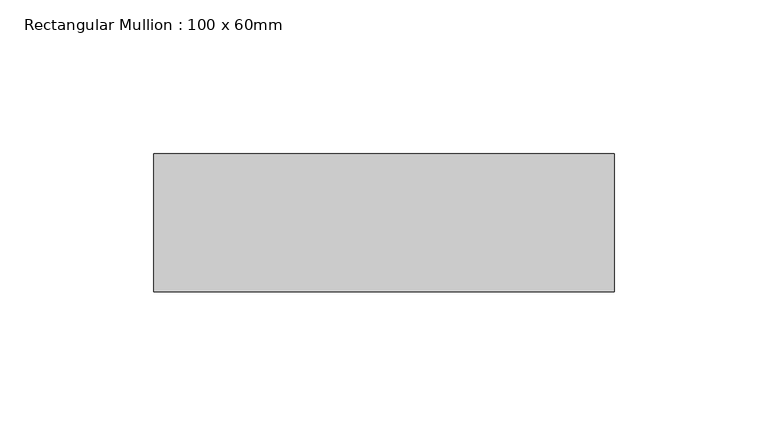
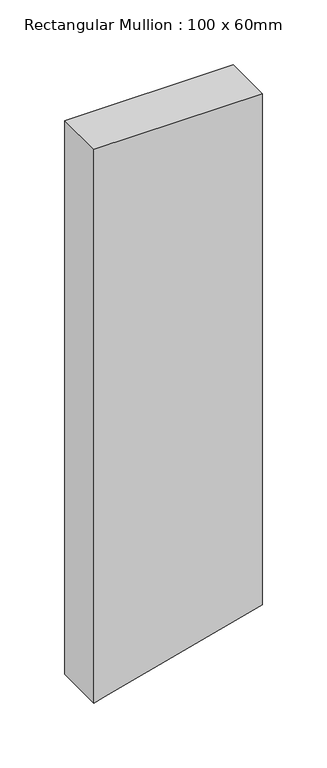
"""IFC4 building model written with IfcOpenShell, lengths in millimetres: member geometry, Rectangular Mullion : 100 x 60mm."""

import ifcopenshell
import ifcopenshell.guid

model = None  # the IFC model being written
_history = None  # IfcOwnerHistory: only IFC2X3 demands one
_inside = {}  # id of a spatial element -> (the spatial element, [elements in it])
_under = {}  # id of a project, library or spatial element -> (it, [spatial elements below it])
_declared = {}  # id of a project -> (the project, [libraries it declares])
_typed = {}  # id of a type object -> (the type object, [elements of that type])
_made_of = {}  # id of a material, layer set ... -> (it, [elements and type objects made of it])


def new_model(schema):
    """Start an empty IFC model of exactly this schema.

    Asked for "IFC4X3", IfcOpenShell would pick the latest addendum, in which some entities
    have other attributes; the version numbers below select the first issue.
    IFC2X3 requires an IfcOwnerHistory on every rooted entity: one is made here for all.
    """
    global model, _history
    if schema == "IFC4X3":
        model = ifcopenshell.file(schema_version=(4, 3, 0, 0))
    else:
        model = ifcopenshell.file(schema=schema)
    _inside.clear()
    _under.clear()
    _declared.clear()
    _typed.clear()
    _made_of.clear()
    _history = None
    if model.schema == "IFC2X3":
        org = make("IfcOrganization", Name="unknown")
        user = make(
            "IfcPersonAndOrganization",
            ThePerson=make("IfcPerson", FamilyName="unknown"),
            TheOrganization=org,
        )
        app = make(
            "IfcApplication",
            ApplicationDeveloper=org,
            Version="unknown",
            ApplicationFullName="unknown",
            ApplicationIdentifier="unknown",
        )
        _history = make(
            "IfcOwnerHistory",
            OwningUser=user,
            OwningApplication=app,
            ChangeAction="ADDED",
            CreationDate=0,
        )
    return model


def make(cls, **values):
    """One entity of the class cls with the attributes given. An attribute that is None is left unset."""
    return model.create_entity(
        cls, **{name: value for name, value in values.items() if value is not None}
    )


def rooted(cls, **values):
    """An entity with a GlobalId (a new one), such as an element, a storey or a relation."""
    return make(cls, GlobalId=ifcopenshell.guid.new(), OwnerHistory=_history, **values)


def si_unit(unit_type, name, prefix=None):
    """IfcSIUnit, for example si_unit("LENGTHUNIT", "METRE", prefix="MILLI")."""
    return make("IfcSIUnit", UnitType=unit_type, Prefix=prefix, Name=name)


def assignment(units):
    """IfcUnitAssignment: the units of a project."""
    return None if units is None else make("IfcUnitAssignment", Units=units)


def point(xyz):
    """IfcCartesianPoint."""
    return None if xyz is None else make("IfcCartesianPoint", Coordinates=xyz)


def direction(xyz):
    """IfcDirection."""
    return None if xyz is None else make("IfcDirection", DirectionRatios=xyz)


def frame(location, z_axis=None, x_axis=None):
    """IfcAxis2Placement3D, a coordinate frame: its origin and axes. An axis left out is left unset."""
    return make(
        "IfcAxis2Placement3D",
        Location=point(location),
        Axis=direction(z_axis),
        RefDirection=direction(x_axis),
    )


def origin():
    """The frame at (0, 0, 0) with its axes left unset."""
    return frame((0.0, 0.0, 0.0))


def place(relative_to, where):
    """IfcLocalPlacement: puts the frame where relative to a parent placement (None: the world)."""
    return make(
        "IfcLocalPlacement", PlacementRelTo=relative_to, RelativePlacement=where
    )


def context(
    kind, dimensions, precision=None, world=None, true_north=None, identifier=None
):
    """IfcGeometricRepresentationContext, for example the 3D "Model" context."""
    return make(
        "IfcGeometricRepresentationContext",
        ContextIdentifier=identifier,
        ContextType=kind,
        CoordinateSpaceDimension=dimensions,
        Precision=precision,
        WorldCoordinateSystem=world,
        TrueNorth=true_north,
    )


def project(units=None, contexts=None):
    """IfcProject with its units and contexts."""
    return rooted(
        "IfcProject",
        Name="project",
        RepresentationContexts=contexts,
        UnitsInContext=assignment(units),
    )


def spatial(cls, under=None, at=None, **own):
    """A site, building, storey or space (cls), placed at a placement, below another one or the project."""
    s = rooted(cls, ObjectPlacement=at, **own)
    if under is not None:
        _under.setdefault(under.id(), (under, []))[1].append(s)
    return s


def polyline(points):
    """IfcPolyline through the points."""
    return make("IfcPolyline", Points=[point(p) for p in points])


def outline(outer, holes=None, kind="AREA"):
    """IfcArbitraryClosedProfileDef: a profile drawn as a closed curve; with holes, ...WithVoids."""
    if holes is None:
        return make("IfcArbitraryClosedProfileDef", ProfileType=kind, OuterCurve=outer)
    return make(
        "IfcArbitraryProfileDefWithVoids",
        ProfileType=kind,
        OuterCurve=outer,
        InnerCurves=holes,
    )


def extrude(swept, where, along, depth):
    """IfcExtrudedAreaSolid: the profile swept, set in the frame where, extruded along a direction by depth."""
    return make(
        "IfcExtrudedAreaSolid",
        SweptArea=swept,
        Position=where,
        ExtrudedDirection=direction(along),
        Depth=depth,
    )


def shape(context_of_items, identifier, shape_type, items):
    """IfcShapeRepresentation: the items that make up one representation, for example the "Body"."""
    return make(
        "IfcShapeRepresentation",
        ContextOfItems=context_of_items,
        RepresentationIdentifier=identifier,
        RepresentationType=shape_type,
        Items=items,
    )


def source(mapping_origin, context_of_items, identifier, shape_type, items):
    """IfcRepresentationMap: a shape defined once, which mapped items show again and again."""
    return make(
        "IfcRepresentationMap",
        MappingOrigin=mapping_origin,
        MappedRepresentation=shape(context_of_items, identifier, shape_type, items),
    )


def transform(
    local_origin,
    x_axis=None,
    y_axis=None,
    z_axis=None,
    scale=None,
    scale2=None,
    scale3=None,
    uniform=True,
):
    """IfcCartesianTransformationOperator3D, or its non-uniform kind. x_axis, y_axis, z_axis: its Axis1, 2, 3."""
    if uniform:
        return make(
            "IfcCartesianTransformationOperator3D",
            Axis1=direction(x_axis),
            Axis2=direction(y_axis),
            LocalOrigin=point(local_origin),
            Scale=scale,
            Axis3=direction(z_axis),
        )
    return make(
        "IfcCartesianTransformationOperator3DnonUniform",
        Axis1=direction(x_axis),
        Axis2=direction(y_axis),
        LocalOrigin=point(local_origin),
        Scale=scale,
        Axis3=direction(z_axis),
        Scale2=scale2,
        Scale3=scale3,
    )


def mapped(mapping_source, mapping_target):
    """IfcMappedItem: shows the shape of a source again, moved by a transform."""
    return make(
        "IfcMappedItem", MappingSource=mapping_source, MappingTarget=mapping_target
    )


def made_of(thing, what):
    """Note that an element or type object is made of a material, layer set ...; save() writes the relation."""
    if what is not None:
        _made_of.setdefault(what.id(), (what, []))[1].append(thing)
    return thing


def element(
    cls,
    number,
    at=None,
    inside=None,
    cuts=None,
    type_object=None,
    material=None,
    context=None,
    identifier="Body",
    shape_type=None,
    held_by="IfcProductDefinitionShape",
    body=None,
    shapes=None,
    **own,
):
    """One element of the class cls, such as IfcWall. Its Tag is "e" and its number.

    at: its placement. inside: the storey or other place that contains it. cuts: it is an
    opening in that element (IfcRelVoidsElement). A single representation is given by context,
    identifier, shape_type and body (its items); several are given by shapes. held_by: the class
    of the entity that holds the representations. save() writes the other relations.
    """
    e = rooted(cls, Tag="e%d" % number, ObjectPlacement=at, **own)
    if body is not None:
        shapes = [shape(context, identifier, shape_type, body)]
    if shapes is not None:
        e.Representation = make(held_by, Representations=shapes)
    if inside is not None:
        _inside.setdefault(inside.id(), (inside, []))[1].append(e)
    if cuts is not None:
        rooted(
            "IfcRelVoidsElement", RelatingBuildingElement=cuts, RelatedOpeningElement=e
        )
    if type_object is not None:
        _typed.setdefault(type_object.id(), (type_object, []))[1].append(e)
    return made_of(e, material)


def aggregate(whole, parts):
    """IfcRelAggregates: a whole, such as a stair, and the parts it consists of."""
    return rooted("IfcRelAggregates", RelatingObject=whole, RelatedObjects=parts)


def save(model, path):
    """Write the relations noted so far, then the file.

    IfcRelAggregates (storeys below a building ...), IfcRelContainedInSpatialStructure (elements
    in a storey), IfcRelDefinesByType, IfcRelAssociatesMaterial and IfcRelDeclares: one each for
    every whole, place, type object, material and project.
    """
    for whole, parts in _under.values():
        aggregate(whole, parts)
    for where, things in _inside.values():
        rooted(
            "IfcRelContainedInSpatialStructure",
            RelatedElements=things,
            RelatingStructure=where,
        )
    for kind, things in _typed.values():
        rooted("IfcRelDefinesByType", RelatedObjects=things, RelatingType=kind)
    for what, things in _made_of.values():
        rooted("IfcRelAssociatesMaterial", RelatedObjects=things, RelatingMaterial=what)
    for by, libraries in _declared.values():
        rooted("IfcRelDeclares", RelatingContext=by, RelatedDefinitions=libraries)
    model.write(path)


def rectangular_mullion_100_x_60mm_5ee1cd38(model_context):
    return source(origin(), model_context, "Body", "SweptSolid", [
        extrude(outline(polyline([(0.0, 75.0), (0.0, -75.0), (-521.8215877, -75.0), (-519.0629868, -64.7047613), (-481.6292088, 75.0), (0.0, 75.0)])), frame((0.0, -30.0, 0.0), z_axis=(0.0, 1.0, 0.0), x_axis=(0.0, 0.0, 1.0)), (0.0, 0.0, 1.0), 45.0),
    ])


if __name__ == "__main__":
    model = new_model("IFC4")
    model_context = context("Model", 3, world=origin())
    ifc_project = project(units=[si_unit("LENGTHUNIT", "METRE", prefix="MILLI")], contexts=[model_context])
    site = spatial("IfcSite", under=ifc_project)
    building = spatial("IfcBuilding", under=site)
    placement = place(None, origin())
    rectangular_mullion_100_x_60mm_shape = rectangular_mullion_100_x_60mm_5ee1cd38(model_context)
    element("IfcMember", 1, ObjectType="Rectangular Mullion : 100 x 60mm", at=placement, inside=building, context=model_context, shape_type="MappedRepresentation", body=[
        mapped(rectangular_mullion_100_x_60mm_shape, transform((0.0, 0.0, 0.0), x_axis=(1.0, 0.0, 0.0), y_axis=(0.0, 1.0, 0.0), z_axis=(0.0, 0.0, 1.0))),
    ])
    save(model, "model.ifc")
